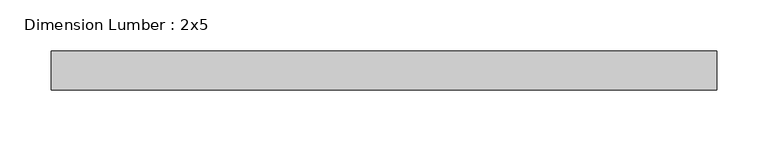
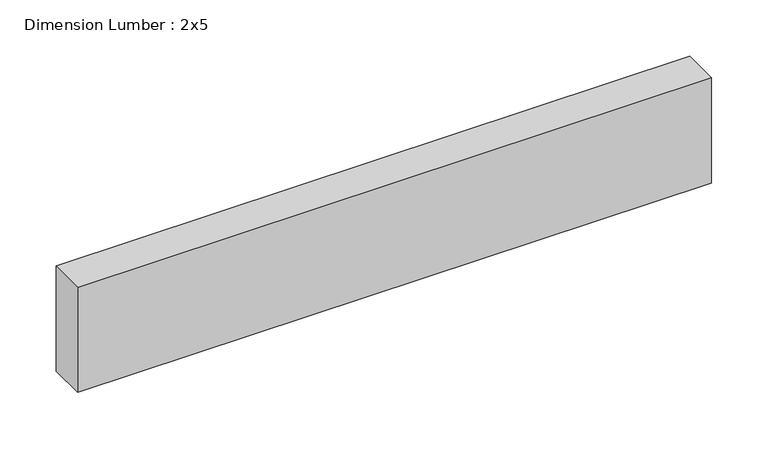
"""IFC4 building model written with IfcOpenShell, lengths in millimetres: beam geometry, Dimension Lumber : 2x5."""

from ifc_helpers import new_model, si_unit, frame, origin, place, context, project, spatial, polyline, outline, extrude, source, transform, mapped, element, save


def dimension_lumber_2x5_ab9a3e41(model_context):
    return source(origin(), model_context, "Body", "SweptSolid", [
        extrude(outline(polyline([(325.01307, 19.05), (325.01307, -19.05), (-325.01307, -19.05), (-325.01307, 19.05), (325.01307, 19.05)])), frame((0.0, 0.0, -57.15), z_axis=(0.0, 0.0, 1.0), x_axis=(1.0, 0.0, 0.0)), (0.0, 0.0, 1.0), 114.3),
    ])


if __name__ == "__main__":
    model = new_model("IFC4")
    model_context = context("Model", 3, world=origin())
    ifc_project = project(units=[si_unit("LENGTHUNIT", "METRE", prefix="MILLI")], contexts=[model_context])
    site = spatial("IfcSite", under=ifc_project)
    building = spatial("IfcBuilding", under=site)
    placement = place(None, origin())
    dimension_lumber_2x5_shape = dimension_lumber_2x5_ab9a3e41(model_context)
    element("IfcBeam", 1, ObjectType="Dimension Lumber : 2x5", at=placement, inside=building, context=model_context, shape_type="MappedRepresentation", body=[
        mapped(dimension_lumber_2x5_shape, transform((0.0, 0.0, 0.0), x_axis=(1.0, 0.0, 0.0), y_axis=(0.0, 1.0, 0.0), z_axis=(0.0, 0.0, 1.0))),
    ])
    save(model, "model.ifc")
